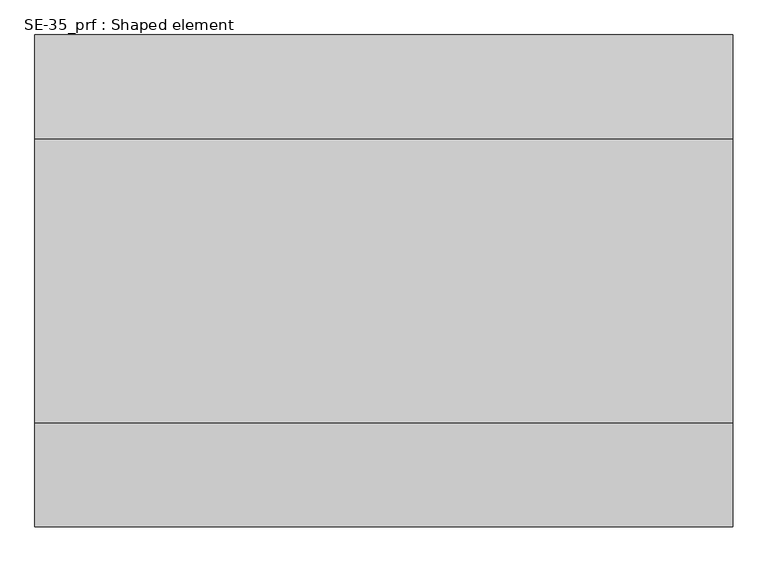
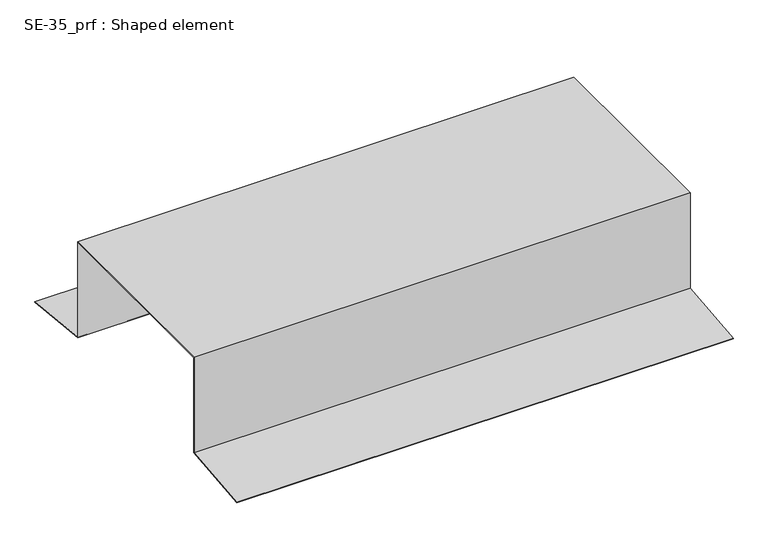
"""IFC4 building model written with IfcOpenShell, lengths in millimetres: proxy geometry, SE-35_prf : Shaped element."""

from ifc_helpers import new_model, si_unit, origin, place, context, project, spatial, faceted_brep, source, transform, mapped, element, save


def se_35_prf_shaped_element_7bfdf0d9(model_context):
    return source(origin(), model_context, "Body", "Brep", [
        faceted_brep([(1000.0, 202.0, 0.0), (1000.0, 203.0, 0.0), (1000.0, 203.0, 3.0), (1000.0, -203.0, 3.0), (1000.0, -203.0, 0.0), (1000.0, -202.0, 0.0), (1000.0, -202.0, 2.0), (1000.0, 202.0, 2.0), (1000.0, 202.0, -200.900404), (1000.0, 352.0737558, -216.6737914), (1000.0, 352.1782843, -215.6792695), (1000.0, 203.0, -200.0), (1000.0, -203.0, -200.0), (1000.0, -352.1782843, -215.6792695), (1000.0, -352.0737558, -216.6737914), (1000.0, -202.0, -200.900404), (0.0, 203.0, 0.0), (0.0, 202.0, 0.0), (0.0, 202.0, 2.0), (0.0, -202.0, 2.0), (0.0, -202.0, 0.0), (0.0, -203.0, 0.0), (0.0, -203.0, 3.0), (0.0, 203.0, 3.0), (0.0, 203.0, -200.0), (0.0, 352.1782843, -215.6792695), (0.0, 352.0737558, -216.6737914), (0.0, 202.0, -200.900404), (0.0, -202.0, -200.900404), (0.0, -352.0737558, -216.6737914), (0.0, -352.1782843, -215.6792695), (0.0, -203.0, -200.0)], [[[0, 1, 2, 3, 4, 5, 6, 7]], [[1, 0, 8, 9, 10, 11]], [[5, 4, 12, 13, 14, 15]], [[16, 17, 18, 19, 20, 21, 22, 23]], [[17, 16, 24, 25, 26, 27]], [[21, 20, 28, 29, 30, 31]], [[13, 12, 31, 30]], [[4, 3, 22, 21, 31, 12]], [[3, 2, 23, 22]], [[2, 1, 11, 24, 16, 23]], [[11, 10, 25, 24]], [[9, 8, 27, 26]], [[0, 7, 18, 17, 27, 8]], [[7, 6, 19, 18]], [[6, 5, 15, 28, 20, 19]], [[15, 14, 29, 28]], [[10, 9, 26, 25]], [[14, 13, 30, 29]]]),
    ])


if __name__ == "__main__":
    model = new_model("IFC4")
    model_context = context("Model", 3, world=origin())
    ifc_project = project(units=[si_unit("LENGTHUNIT", "METRE", prefix="MILLI")], contexts=[model_context])
    site = spatial("IfcSite", under=ifc_project)
    building = spatial("IfcBuilding", under=site)
    placement = place(None, origin())
    se_35_prf_shaped_element_shape = se_35_prf_shaped_element_7bfdf0d9(model_context)
    element("IfcBuildingElementProxy", 1, Name="SE-35_prf : Shaped element", ObjectType="SE-35_prf : Shaped element", at=placement, inside=building, context=model_context, shape_type="MappedRepresentation", body=[
        mapped(se_35_prf_shaped_element_shape, transform((0.0, 0.0, 0.0), x_axis=(1.0, 0.0, 0.0), y_axis=(0.0, 1.0, 0.0), z_axis=(0.0, 0.0, 1.0))),
    ])
    save(model, "model.ifc")
